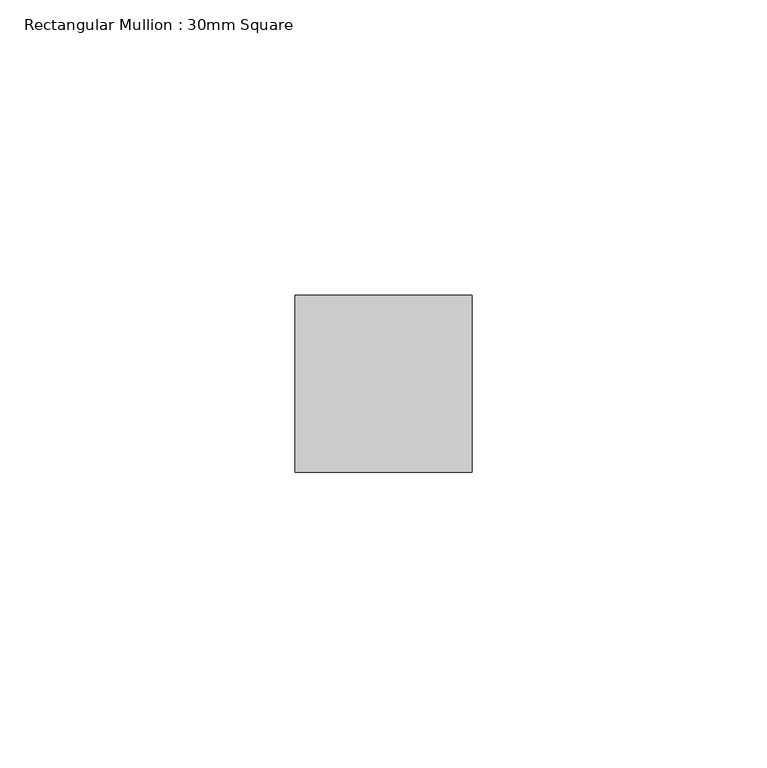
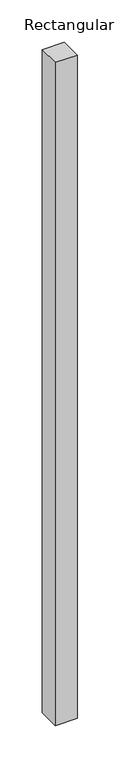
"""IFC4 building model written with IfcOpenShell, lengths in millimetres: member geometry, Rectangular Mullion : 30mm Square."""

from ifc_helpers import new_model, si_unit, frame, origin, place, context, project, spatial, polyline, outline, extrude, source, transform, mapped, element, save


def rectangular_mullion_30mm_square_1c2fdee7(model_context):
    return source(origin(), model_context, "Body", "SweptSolid", [
        extrude(outline(polyline([(15.0, 15.0), (15.0, -15.0), (-15.0, -15.0), (-15.0, 15.0), (15.0, 15.0)])), frame((0.0, 0.0, -955.1405838), z_axis=(0.0, 0.0, 1.0), x_axis=(1.0, 0.0, 0.0)), (0.0, 0.0, 1.0), 955.1405838),
    ])


if __name__ == "__main__":
    model = new_model("IFC4")
    model_context = context("Model", 3, world=origin())
    ifc_project = project(units=[si_unit("LENGTHUNIT", "METRE", prefix="MILLI")], contexts=[model_context])
    site = spatial("IfcSite", under=ifc_project)
    building = spatial("IfcBuilding", under=site)
    placement = place(None, origin())
    rectangular_mullion_30mm_square_shape = rectangular_mullion_30mm_square_1c2fdee7(model_context)
    element("IfcMember", 1, ObjectType="Rectangular Mullion : 30mm Square", at=placement, inside=building, context=model_context, shape_type="MappedRepresentation", body=[
        mapped(rectangular_mullion_30mm_square_shape, transform((0.0, 0.0, 0.0), x_axis=(1.0, 0.0, 0.0), y_axis=(0.0, 1.0, 0.0), z_axis=(0.0, 0.0, 1.0))),
    ])
    save(model, "model.ifc")
